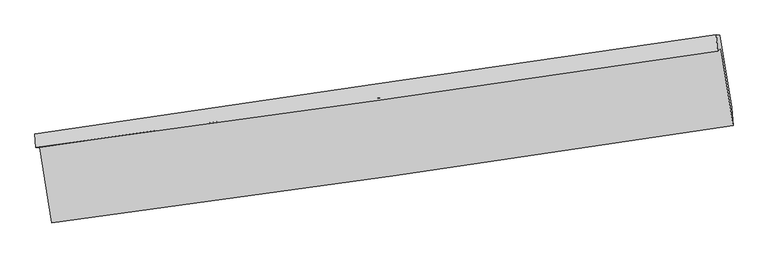
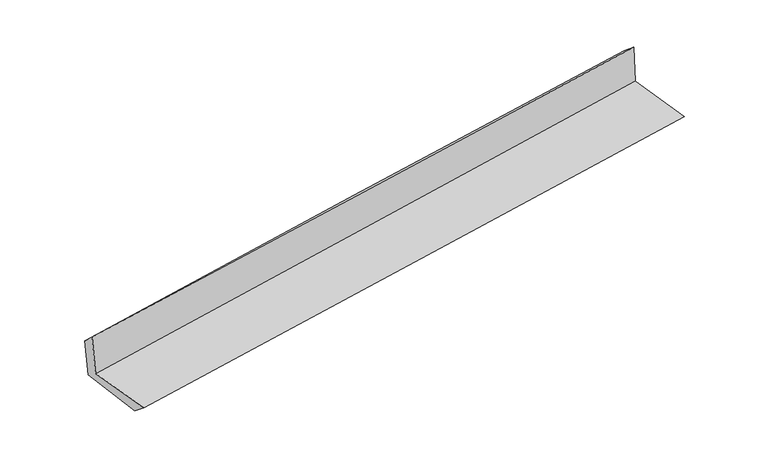
"""IFC4 building model written with IfcOpenShell, lengths in millimetres: proxy geometry."""

from ifc_helpers import new_model, si_unit, frame, origin, place, context, project, spatial, source, transform, mapped, element, save
from ifc_brep_helpers import plane_surface, spline_curve, spline_surface, advanced_brep


def generic_models_59f43697(model_context):
    return source(origin(), model_context, "Body", "AdvancedBrep", [
        advanced_brep(
        [(-3005.7555454, -1921.033086, 1626.5544658), (-2902.6386525, -2584.111215, 1627.4036222), (3059.6618896, -1728.8538382, 2139.7048662), (2953.8199838, -1052.0927245, 2145.5536224), (-3041.4305284, -1923.4526859, 2031.9908174), (2923.4410199, -1077.2732614, 2531.2664922), (-3049.8866856, -1805.3375613, 1920.3665936), (2911.7983243, -935.6867998, 2414.399159), (-3016.5106927, -1808.1774314, 1549.9897375), (2944.0520063, -938.4311757, 2056.4767035), (-2913.5541935, -2450.1968324, 1515.7861871), (3047.041417, -1575.1222962, 2012.577597)],
        [
            (0, 1),
            (1, 2, spline_curve(3, [(-2902.6386525, -2584.111215, 1627.4036222), (-1908.037057814, -2451.630367427, 1720.280428146), (-913.870714307, -2314.117393965, 1809.411163875), (1073.562774831, -2029.03131121, 1980.178028932), (2066.829945221, -1881.458492217, 2061.81437457), (3059.6618896, -1728.8538382, 2139.7048662)], [4, 2, 4], [0.0, 9.916557006154573, 19.832827658844327])),
            (2, 3),
            (3, 0, spline_curve(3, [(2953.8199838, -1052.0927245, 2145.5536224), (1960.97833007, -1200.371507252, 2060.201281551), (967.93338282, -1346.921575042, 1974.275813975), (-1018.591781982, -1636.568461783, 1801.276128193), (-2012.072011017, -1779.665181348, 1714.201876889), (-3005.7555454, -1921.033086, 1626.5544658)], [4, 2, 4], [0.0, 9.916270652689754, 19.832827658844327])),
            (4, 0),
            (3, 5),
            (5, 4, spline_curve(3, [(2923.4410199, -1077.2732614, 2531.2664922), (1929.727810364, -1224.974418855, 2454.704743159), (935.805756158, -1369.338979411, 2374.818211147), (-1052.484747808, -1651.398980473, 2208.393178549), (-2046.853210008, -1789.094227708, 2121.854485359), (-3041.4305284, -1923.4526859, 2031.9908174)], [4, 2, 4], [0.0, 9.916351438868812, 19.832989233535315])),
            (6, 4),
            (5, 7),
            (7, 6, spline_curve(3, [(2911.7983243, -935.6867998, 2414.399159), (1917.554047973, -1079.47623705, 2336.963596238), (923.631994036, -1223.840797968, 2257.077064464), (-1063.59636135, -1513.724351674, 2092.399684265), (-2056.902643992, -1659.243378242, 2007.608694401), (-3049.8866856, -1805.3375613, 1920.3665936)], [4, 2, 4], [0.0, 9.916437161332205, 19.83316068093752])),
            (8, 6),
            (7, 9),
            (9, 8, spline_curve(3, [(2944.0520063, -938.4311757, 2056.4767035), (1951.202142019, -1082.339259714, 1963.567205782), (958.070827333, -1226.771102139, 1874.905757823), (-1028.783389645, -1516.686490363, 1706.07652396), (-2022.506307881, -1662.17006653, 1625.908983036), (-3016.5106927, -1808.1774314, 1549.9897375)], [4, 2, 4], [0.0, 9.916148595372727, 19.832583540685604])),
            (10, 8),
            (9, 11),
            (11, 10, spline_curve(3, [(3047.041417, -1575.1222962, 2012.577597), (2053.645325475, -1718.390941906, 1924.691851458), (1060.238150681, -1862.947071188, 1839.350255511), (-926.627051952, -2154.638509158, 1673.752971736), (-1920.085080761, -2301.773891736, 1593.497431303), (-2913.5541935, -2450.1968324, 1515.7861871)], [4, 2, 4], [0.0, 9.916160874314768, 19.83260809892427])),
            (1, 10),
            (11, 2),
        ],
        [
            spline_surface(3, 3, [[(-3005.7555454, -1921.033086, 1626.5544658), (-2012.072010868, -1779.665181442, 1714.201876802), (-1018.591781898, -1636.568461912, 1801.276128204), (967.933382737, -1346.921574914, 1974.275813965), (1960.978330215, -1200.371507256, 2060.201281439), (2953.8199838, -1052.0927245, 2145.5536224)], [(-2971.383247789, -2142.059129001, 1626.837517933), (-1977.393693154, -2003.653576798, 1716.228060608), (-983.684759352, -1862.418105942, 1803.987806761), (1003.143180041, -1574.291486986, 1976.243218931), (1996.262201909, -1427.400502286, 2060.738979143), (2989.10061908, -1277.679762398, 2143.604037001)], [(-2937.010950111, -2363.085171999, 1627.120570067), (-1942.715375375, -2227.64197215, 1718.254244414), (-948.777736739, -2088.267749994, 1806.699485352), (1038.352977412, -1801.661399079, 1978.210623931), (2031.546073563, -1654.42949732, 2061.276676844), (3024.38125432, -1503.266800302, 2141.654451599)], [(-2902.6386525, -2584.111215, 1627.4036222), (-1908.037057662, -2451.630367505, 1720.280428219), (-913.870714192, -2314.117394024, 1809.41116391), (1073.562774716, -2029.031311151, 1980.178028897), (2066.829945257, -1881.45849235, 2061.814374547), (3059.6618896, -1728.8538382, 2139.7048662)]], [4, 4], [4, 2, 4], [0.0, 2.257062674425469], [0.0, 9.916557006154573, 19.832827658844327]),
            spline_surface(3, 3, [[(-3041.4305284, -1923.4526859, 2031.9908174), (-2046.853209927, -1789.094227782, 2121.85448543), (-1052.484747846, -1651.398980369, 2208.393178401), (935.805756196, -1369.338979514, 2374.818211295), (1929.727810207, -1224.974418726, 2454.704743289), (2923.4410199, -1077.2732614, 2531.2664922)], [(-3029.538867369, -1922.646152616, 1896.845366855), (-2035.259476876, -1785.951212352, 1985.970282542), (-1041.187092527, -1646.455474225, 2072.687494991), (946.514965046, -1361.866511322, 2241.304078841), (1940.144650213, -1216.773448246, 2323.203589338), (2933.567341203, -1068.87974911, 2402.695535599)], [(-3017.647206431, -1921.839619284, 1761.699916345), (-2023.665743919, -1782.808196873, 1850.08607969), (-1029.889437217, -1641.511968056, 1936.981811613), (957.224173887, -1354.394043105, 2107.789946419), (1950.561490209, -1208.572477736, 2191.70243539), (2943.693662497, -1060.48623679, 2274.124579001)], [(-3005.7555454, -1921.033086, 1626.5544658), (-2012.072010868, -1779.665181442, 1714.201876802), (-1018.591781898, -1636.568461912, 1801.276128204), (967.933382737, -1346.921574914, 1974.275813965), (1960.978330215, -1200.371507256, 2060.201281439), (2953.8199838, -1052.0927245, 2145.5536224)]], [4, 4], [4, 2, 4], [0.0, 1.330723592115475], [0.0, 9.916637794666503, 19.832989233535315]),
            spline_surface(3, 3, [[(-3049.8866856, -1805.3375613, 1920.3665936), (-2056.902644019, -1659.243378193, 2007.608694356), (-1063.596361273, -1513.72435179, 2092.399684236), (923.631993959, -1223.840797852, 2257.077064493), (1917.554047869, -1079.476237064, 2336.963596387), (2911.7983243, -935.6867998, 2414.399159)], [(-3047.067966559, -1844.709269495, 1957.574668215), (-2053.55283268, -1702.526994718, 2045.690624729), (-1059.892490108, -1559.61589465, 2131.06418231), (927.689914728, -1272.34019174, 2296.324113447), (1921.611968638, -1127.975630952, 2376.21064534), (2915.679222823, -982.882287, 2453.35493672)], [(-3044.249247441, -1884.080977705, 1994.782742785), (-2050.203021265, -1745.810611258, 2083.772555057), (-1056.188619012, -1605.507437509, 2169.728680326), (931.747835427, -1320.839585626, 2335.571162342), (1925.669889438, -1176.475024839, 2415.457694335), (2919.560121377, -1030.0777742, 2492.31071448)], [(-3041.4305284, -1923.4526859, 2031.9908174), (-2046.853209927, -1789.094227782, 2121.85448543), (-1052.484747846, -1651.398980369, 2208.393178401), (935.805756196, -1369.338979514, 2374.818211295), (1929.727810207, -1224.974418726, 2454.704743289), (2923.4410199, -1077.2732614, 2531.2664922)]], [4, 4], [4, 2, 4], [0.0, 0.603533614519241], [0.0, 9.916723519605316, 19.83316068093752]),
            spline_surface(3, 3, [[(-3016.5106927, -1808.1774314, 1549.9897375), (-2022.506307856, -1662.170066456, 1625.908983201), (-1028.783389522, -1516.686490421, 1706.07652388), (958.070827209, -1226.771102081, 1874.905757903), (1951.202141902, -1082.339259596, 1963.567205871), (2944.0520063, -938.4311757, 2056.4767035)], [(-3027.636023659, -1807.230808012, 1673.448689542), (-2033.971753236, -1661.194503681, 1753.142220261), (-1040.387713453, -1515.699110857, 1834.85091064), (946.591216111, -1225.794333984, 2002.296193408), (1939.986110568, -1081.384918766, 2088.032669389), (2933.300778977, -937.516383748, 2175.784188679)], [(-3038.761354641, -1806.284184688, 1796.907641558), (-2045.437198639, -1660.218940969, 1880.375457296), (-1051.992037342, -1514.711731354, 1963.625297476), (935.111605057, -1224.817565949, 2129.686628988), (1928.770079203, -1080.430577894, 2212.498132869), (2922.549551623, -936.601591752, 2295.091673821)], [(-3049.8866856, -1805.3375613, 1920.3665936), (-2056.902644019, -1659.243378193, 2007.608694356), (-1063.596361273, -1513.72435179, 2092.399684236), (923.631993959, -1223.840797852, 2257.077064493), (1917.554047869, -1079.476237064, 2336.963596387), (2911.7983243, -935.6867998, 2414.399159)]], [4, 4], [4, 2, 4], [0.0, 1.265798953065827], [0.0, 9.916434945312878, 19.832583540685604]),
            spline_surface(3, 3, [[(-2913.5541935, -2450.1968324, 1515.7861871), (-1920.085080886, -2301.773891704, 1593.497431181), (-926.62705206, -2154.638509018, 1673.752971836), (1060.238150789, -1862.947071328, 1839.350255412), (2053.645325485, -1718.390941911, 1924.69185138), (3047.041417, -1575.1222962, 2012.577597)], [(-2947.873026573, -2236.19036542, 1527.187370557), (-1954.225489882, -2088.572616642, 1604.301281844), (-960.679164541, -1941.987836163, 1684.527489195), (1026.182376268, -1650.888414923, 1851.202089586), (2019.497597614, -1506.373714452, 1937.650302872), (3012.711613424, -1362.891922679, 2027.210632494)], [(-2982.191859627, -2022.18389838, 1538.588554043), (-1988.365898859, -1875.371341519, 1615.105132537), (-994.73127704, -1729.337163275, 1695.302006521), (992.12660173, -1438.829758486, 1863.053923728), (1985.349869773, -1294.356487055, 1950.60875438), (2978.381809876, -1150.661549221, 2041.843668006)], [(-3016.5106927, -1808.1774314, 1549.9897375), (-2022.506307856, -1662.170066456, 1625.908983201), (-1028.783389522, -1516.686490421, 1706.07652388), (958.070827209, -1226.771102081, 1874.905757903), (1951.202141902, -1082.339259596, 1963.567205871), (2944.0520063, -938.4311757, 2056.4767035)]], [4, 4], [4, 2, 4], [0.0, 2.119736140667942], [0.0, 9.9164472246095, 19.83260809892427]),
            spline_surface(3, 3, [[(-2902.6386525, -2584.111215, 1627.4036222), (-1908.037057662, -2451.630367505, 1720.280428219), (-913.870714192, -2314.117394024, 1809.41116391), (1073.562774716, -2029.031311151, 1980.178028897), (2066.829945257, -1881.45849235, 2061.814374547), (3059.6618896, -1728.8538382, 2139.7048662)], [(-2906.277166151, -2539.473087455, 1590.197810499), (-1912.053065388, -2401.678208893, 1678.019429205), (-918.122826811, -2260.957765696, 1764.191766568), (1069.121233411, -1973.669897884, 1933.235437752), (2062.435071993, -1827.102642202, 2016.106866832), (3055.455065394, -1677.609990865, 2097.329109808)], [(-2909.915679849, -2494.834959945, 1552.991998801), (-1916.06907316, -2351.726050317, 1635.758430195), (-922.374939442, -2207.798137346, 1718.972369177), (1064.679692094, -1918.308484595, 1886.292846557), (2058.040198748, -1772.746792059, 1970.399359095), (3051.248241206, -1626.366143535, 2054.953353392)], [(-2913.5541935, -2450.1968324, 1515.7861871), (-1920.085080886, -2301.773891704, 1593.497431181), (-926.62705206, -2154.638509018, 1673.752971836), (1060.238150789, -1862.947071328, 1839.350255412), (2053.645325485, -1718.390941911, 1924.69185138), (3047.041417, -1575.1222962, 2012.577597)]], [4, 4], [4, 2, 4], [0.0, 0.7019691170481108], [0.0, 9.91649310442547, 19.83269985723137]),
            plane_surface(frame((2973.3024401, -1217.910016, 2216.6630734), z_axis=(0.9843137735691803, 0.15318511696533146, 0.08752551115142768), x_axis=(-0.08974731722631132, 0.007636348957186628, 0.9959352916858023))),
            plane_surface(frame((-2988.2960497, -2082.0514687, 1712.0152373), z_axis=(-0.9843137735681645, -0.15318511697087242, -0.0875255111531518), x_axis=(-0.15366527903306432, 0.988122148694104, -0.0012654168632256163))),
        ],
        [
            (0, [[1, 2, 3, 4]]),
            (1, [[5, -4, 6, 7]]),
            (2, [[8, -7, 9, 10]]),
            (3, [[11, -10, 12, 13]]),
            (4, [[14, -13, 15, 16]]),
            (5, [[17, -16, 18, -2]]),
            (6, [[-12, -9, -6, -3, -18, -15]]),
            (7, [[-1, -5, -8, -11, -14, -17]]),
        ],
    ),
    ])


if __name__ == "__main__":
    model = new_model("IFC4")
    model_context = context("Model", 3, world=origin())
    ifc_project = project(units=[si_unit("LENGTHUNIT", "METRE", prefix="MILLI")], contexts=[model_context])
    site = spatial("IfcSite", under=ifc_project)
    building = spatial("IfcBuilding", under=site)
    placement = place(None, origin())
    generic_models_shape = generic_models_59f43697(model_context)
    element("IfcBuildingElementProxy", 1, Name="Generic Models", at=placement, inside=building, context=model_context, shape_type="MappedRepresentation", body=[
        mapped(generic_models_shape, transform((0.0, 0.0, 0.0), x_axis=(1.0, 0.0, 0.0), y_axis=(0.0, 1.0, 0.0), z_axis=(0.0, 0.0, 1.0))),
    ])
    save(model, "model.ifc")
